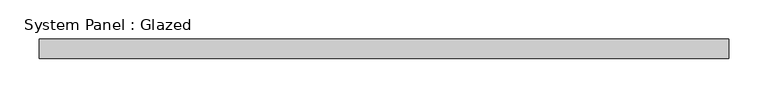
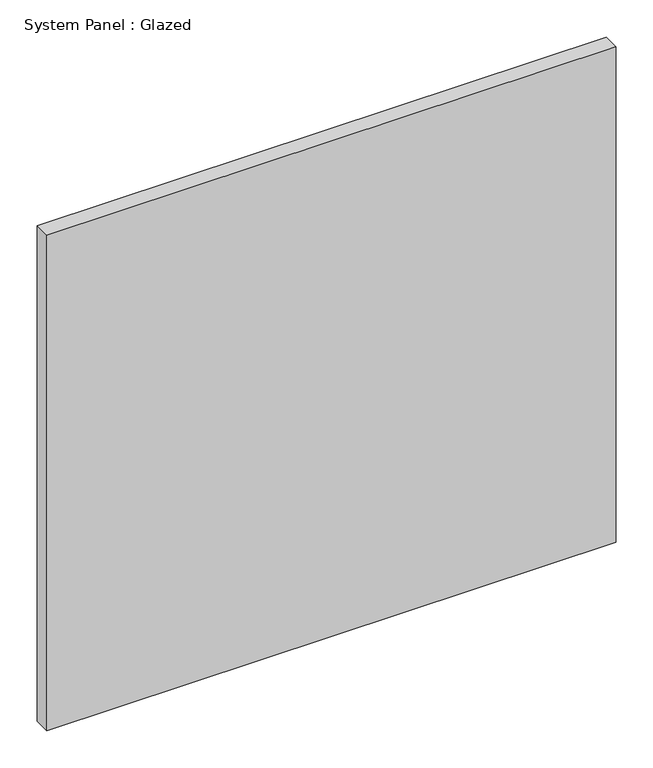
"""IFC4 building model written with IfcOpenShell, lengths in millimetres: plate geometry, System Panel : Glazed."""

import ifcopenshell
import ifcopenshell.guid

model = None  # the IFC model being written
_history = None  # IfcOwnerHistory: only IFC2X3 demands one
_inside = {}  # id of a spatial element -> (the spatial element, [elements in it])
_under = {}  # id of a project, library or spatial element -> (it, [spatial elements below it])
_declared = {}  # id of a project -> (the project, [libraries it declares])
_typed = {}  # id of a type object -> (the type object, [elements of that type])
_made_of = {}  # id of a material, layer set ... -> (it, [elements and type objects made of it])


def new_model(schema):
    """Start an empty IFC model of exactly this schema.

    Asked for "IFC4X3", IfcOpenShell would pick the latest addendum, in which some entities
    have other attributes; the version numbers below select the first issue.
    IFC2X3 requires an IfcOwnerHistory on every rooted entity: one is made here for all.
    """
    global model, _history
    if schema == "IFC4X3":
        model = ifcopenshell.file(schema_version=(4, 3, 0, 0))
    else:
        model = ifcopenshell.file(schema=schema)
    _inside.clear()
    _under.clear()
    _declared.clear()
    _typed.clear()
    _made_of.clear()
    _history = None
    if model.schema == "IFC2X3":
        org = make("IfcOrganization", Name="unknown")
        user = make(
            "IfcPersonAndOrganization",
            ThePerson=make("IfcPerson", FamilyName="unknown"),
            TheOrganization=org,
        )
        app = make(
            "IfcApplication",
            ApplicationDeveloper=org,
            Version="unknown",
            ApplicationFullName="unknown",
            ApplicationIdentifier="unknown",
        )
        _history = make(
            "IfcOwnerHistory",
            OwningUser=user,
            OwningApplication=app,
            ChangeAction="ADDED",
            CreationDate=0,
        )
    return model


def make(cls, **values):
    """One entity of the class cls with the attributes given. An attribute that is None is left unset."""
    return model.create_entity(
        cls, **{name: value for name, value in values.items() if value is not None}
    )


def rooted(cls, **values):
    """An entity with a GlobalId (a new one), such as an element, a storey or a relation."""
    return make(cls, GlobalId=ifcopenshell.guid.new(), OwnerHistory=_history, **values)


def si_unit(unit_type, name, prefix=None):
    """IfcSIUnit, for example si_unit("LENGTHUNIT", "METRE", prefix="MILLI")."""
    return make("IfcSIUnit", UnitType=unit_type, Prefix=prefix, Name=name)


def assignment(units):
    """IfcUnitAssignment: the units of a project."""
    return None if units is None else make("IfcUnitAssignment", Units=units)


def point(xyz):
    """IfcCartesianPoint."""
    return None if xyz is None else make("IfcCartesianPoint", Coordinates=xyz)


def direction(xyz):
    """IfcDirection."""
    return None if xyz is None else make("IfcDirection", DirectionRatios=xyz)


def frame(location, z_axis=None, x_axis=None):
    """IfcAxis2Placement3D, a coordinate frame: its origin and axes. An axis left out is left unset."""
    return make(
        "IfcAxis2Placement3D",
        Location=point(location),
        Axis=direction(z_axis),
        RefDirection=direction(x_axis),
    )


def origin():
    """The frame at (0, 0, 0) with its axes left unset."""
    return frame((0.0, 0.0, 0.0))


def origin_with_axes():
    """The frame at (0, 0, 0) with the z axis (0, 0, 1) and the x axis (1, 0, 0) written out."""
    return frame((0.0, 0.0, 0.0), z_axis=(0.0, 0.0, 1.0), x_axis=(1.0, 0.0, 0.0))


def place(relative_to, where):
    """IfcLocalPlacement: puts the frame where relative to a parent placement (None: the world)."""
    return make(
        "IfcLocalPlacement", PlacementRelTo=relative_to, RelativePlacement=where
    )


def context(
    kind, dimensions, precision=None, world=None, true_north=None, identifier=None
):
    """IfcGeometricRepresentationContext, for example the 3D "Model" context."""
    return make(
        "IfcGeometricRepresentationContext",
        ContextIdentifier=identifier,
        ContextType=kind,
        CoordinateSpaceDimension=dimensions,
        Precision=precision,
        WorldCoordinateSystem=world,
        TrueNorth=true_north,
    )


def project(units=None, contexts=None):
    """IfcProject with its units and contexts."""
    return rooted(
        "IfcProject",
        Name="project",
        RepresentationContexts=contexts,
        UnitsInContext=assignment(units),
    )


def spatial(cls, under=None, at=None, **own):
    """A site, building, storey or space (cls), placed at a placement, below another one or the project."""
    s = rooted(cls, ObjectPlacement=at, **own)
    if under is not None:
        _under.setdefault(under.id(), (under, []))[1].append(s)
    return s


def polyline(points):
    """IfcPolyline through the points."""
    return make("IfcPolyline", Points=[point(p) for p in points])


def outline(outer, holes=None, kind="AREA"):
    """IfcArbitraryClosedProfileDef: a profile drawn as a closed curve; with holes, ...WithVoids."""
    if holes is None:
        return make("IfcArbitraryClosedProfileDef", ProfileType=kind, OuterCurve=outer)
    return make(
        "IfcArbitraryProfileDefWithVoids",
        ProfileType=kind,
        OuterCurve=outer,
        InnerCurves=holes,
    )


def extrude(swept, where, along, depth):
    """IfcExtrudedAreaSolid: the profile swept, set in the frame where, extruded along a direction by depth."""
    return make(
        "IfcExtrudedAreaSolid",
        SweptArea=swept,
        Position=where,
        ExtrudedDirection=direction(along),
        Depth=depth,
    )


def shape(context_of_items, identifier, shape_type, items):
    """IfcShapeRepresentation: the items that make up one representation, for example the "Body"."""
    return make(
        "IfcShapeRepresentation",
        ContextOfItems=context_of_items,
        RepresentationIdentifier=identifier,
        RepresentationType=shape_type,
        Items=items,
    )


def source(mapping_origin, context_of_items, identifier, shape_type, items):
    """IfcRepresentationMap: a shape defined once, which mapped items show again and again."""
    return make(
        "IfcRepresentationMap",
        MappingOrigin=mapping_origin,
        MappedRepresentation=shape(context_of_items, identifier, shape_type, items),
    )


def transform(
    local_origin,
    x_axis=None,
    y_axis=None,
    z_axis=None,
    scale=None,
    scale2=None,
    scale3=None,
    uniform=True,
):
    """IfcCartesianTransformationOperator3D, or its non-uniform kind. x_axis, y_axis, z_axis: its Axis1, 2, 3."""
    if uniform:
        return make(
            "IfcCartesianTransformationOperator3D",
            Axis1=direction(x_axis),
            Axis2=direction(y_axis),
            LocalOrigin=point(local_origin),
            Scale=scale,
            Axis3=direction(z_axis),
        )
    return make(
        "IfcCartesianTransformationOperator3DnonUniform",
        Axis1=direction(x_axis),
        Axis2=direction(y_axis),
        LocalOrigin=point(local_origin),
        Scale=scale,
        Axis3=direction(z_axis),
        Scale2=scale2,
        Scale3=scale3,
    )


def mapped(mapping_source, mapping_target):
    """IfcMappedItem: shows the shape of a source again, moved by a transform."""
    return make(
        "IfcMappedItem", MappingSource=mapping_source, MappingTarget=mapping_target
    )


def made_of(thing, what):
    """Note that an element or type object is made of a material, layer set ...; save() writes the relation."""
    if what is not None:
        _made_of.setdefault(what.id(), (what, []))[1].append(thing)
    return thing


def element(
    cls,
    number,
    at=None,
    inside=None,
    cuts=None,
    type_object=None,
    material=None,
    context=None,
    identifier="Body",
    shape_type=None,
    held_by="IfcProductDefinitionShape",
    body=None,
    shapes=None,
    **own,
):
    """One element of the class cls, such as IfcWall. Its Tag is "e" and its number.

    at: its placement. inside: the storey or other place that contains it. cuts: it is an
    opening in that element (IfcRelVoidsElement). A single representation is given by context,
    identifier, shape_type and body (its items); several are given by shapes. held_by: the class
    of the entity that holds the representations. save() writes the other relations.
    """
    e = rooted(cls, Tag="e%d" % number, ObjectPlacement=at, **own)
    if body is not None:
        shapes = [shape(context, identifier, shape_type, body)]
    if shapes is not None:
        e.Representation = make(held_by, Representations=shapes)
    if inside is not None:
        _inside.setdefault(inside.id(), (inside, []))[1].append(e)
    if cuts is not None:
        rooted(
            "IfcRelVoidsElement", RelatingBuildingElement=cuts, RelatedOpeningElement=e
        )
    if type_object is not None:
        _typed.setdefault(type_object.id(), (type_object, []))[1].append(e)
    return made_of(e, material)


def aggregate(whole, parts):
    """IfcRelAggregates: a whole, such as a stair, and the parts it consists of."""
    return rooted("IfcRelAggregates", RelatingObject=whole, RelatedObjects=parts)


def save(model, path):
    """Write the relations noted so far, then the file.

    IfcRelAggregates (storeys below a building ...), IfcRelContainedInSpatialStructure (elements
    in a storey), IfcRelDefinesByType, IfcRelAssociatesMaterial and IfcRelDeclares: one each for
    every whole, place, type object, material and project.
    """
    for whole, parts in _under.values():
        aggregate(whole, parts)
    for where, things in _inside.values():
        rooted(
            "IfcRelContainedInSpatialStructure",
            RelatedElements=things,
            RelatingStructure=where,
        )
    for kind, things in _typed.values():
        rooted("IfcRelDefinesByType", RelatedObjects=things, RelatingType=kind)
    for what, things in _made_of.values():
        rooted("IfcRelAssociatesMaterial", RelatedObjects=things, RelatingMaterial=what)
    for by, libraries in _declared.values():
        rooted("IfcRelDeclares", RelatingContext=by, RelatedDefinitions=libraries)
    model.write(path)


def system_panel_glazed_2f81516b(model_context):
    return source(origin(), model_context, "Body", "SweptSolid", [
        extrude(outline(polyline([(441.325, 19.05), (-441.325, 19.05), (-441.325, 44.45), (441.325, 44.45), (441.325, 19.05)])), origin_with_axes(), (0.0, 0.0, 1.0), 812.1801429),
    ])


if __name__ == "__main__":
    model = new_model("IFC4")
    model_context = context("Model", 3, world=origin())
    ifc_project = project(units=[si_unit("LENGTHUNIT", "METRE", prefix="MILLI")], contexts=[model_context])
    site = spatial("IfcSite", under=ifc_project)
    building = spatial("IfcBuilding", under=site)
    placement = place(None, origin())
    system_panel_glazed_shape = system_panel_glazed_2f81516b(model_context)
    element("IfcPlate", 1, ObjectType="System Panel : Glazed", at=placement, inside=building, context=model_context, shape_type="MappedRepresentation", body=[
        mapped(system_panel_glazed_shape, transform((0.0, 0.0, 0.0), x_axis=(1.0, 0.0, 0.0), y_axis=(0.0, 1.0, 0.0), z_axis=(0.0, 0.0, 1.0))),
    ])
    save(model, "model.ifc")
